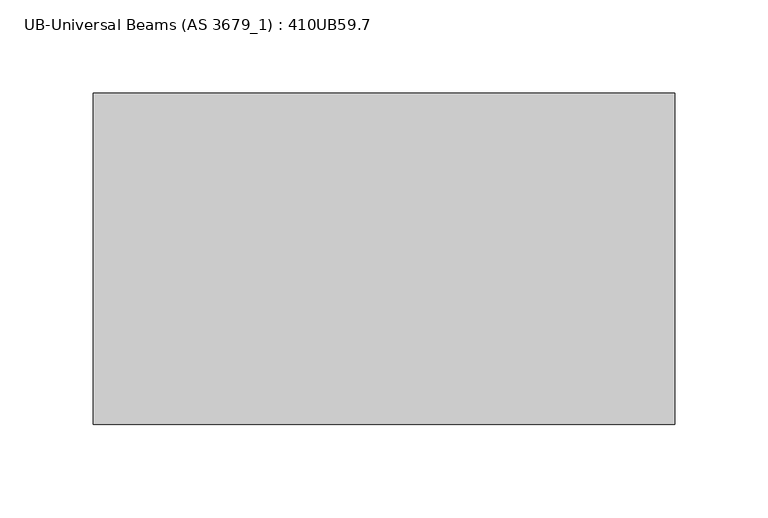
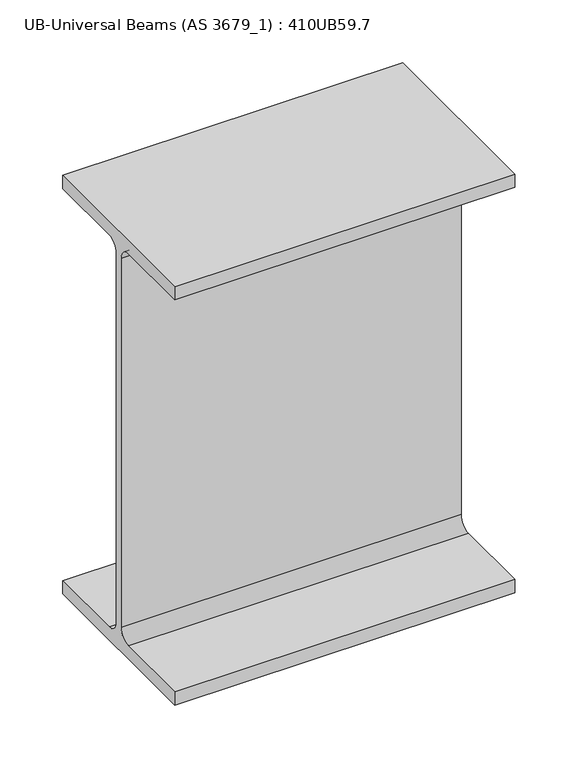
"""IFC4 building model written with IfcOpenShell, lengths in millimetres: beam geometry, UB-Universal Beams (AS 3679_1) : 410UB59.7."""

from ifc_helpers import new_model, si_unit, point, frame, frame_2d, origin, place, context, project, spatial, polyline, circle_curve, trimmed, segment, composite_curve, outline, extrude, source, transform, mapped, element, save


def ub_universal_beams_as_3679_1_410ub59_7_c5979ace(model_context):
    return source(origin(), model_context, "Body", "SweptSolid", [
        extrude(outline(composite_curve([segment(polyline([(89.0, -190.4), (89.0, -203.2), (-89.0, -203.2), (-89.0, -190.4), (-15.3, -190.4)]), True, "CONTINUOUS"), segment(trimmed(circle_curve(frame_2d((-15.3, -179.0)), 11.4), [point((-15.3, -190.4))], [point((-3.9, -179.0))], True, "CARTESIAN"), True, "CONTINUOUS"), segment(polyline([(-3.9, -179.0), (-3.9, 179.0)]), True, "CONTINUOUS"), segment(trimmed(circle_curve(frame_2d((-15.3, 179.0)), 11.4), [point((-3.9, 179.0))], [point((-15.3, 190.4))], True, "CARTESIAN"), True, "CONTINUOUS"), segment(polyline([(-15.3, 190.4), (-89.0, 190.4), (-89.0, 203.2), (89.0, 203.2), (89.0, 190.4), (15.3, 190.4)]), True, "CONTINUOUS"), segment(trimmed(circle_curve(frame_2d((15.3, 179.0)), 11.4), [point((15.3, 190.4))], [point((3.9, 179.0))], True, "CARTESIAN"), True, "CONTINUOUS"), segment(polyline([(3.9, 179.0), (3.9, -179.0)]), True, "CONTINUOUS"), segment(trimmed(circle_curve(frame_2d((15.3, -179.0)), 11.4), [point((3.9, -179.0))], [point((15.3, -190.4))], True, "CARTESIAN"), True, "CONTINUOUS"), segment(polyline([(15.3, -190.4), (89.0, -190.4)]), True, "CONTINUOUS")], self_intersect=False)), frame((-162.5, 0.0, 0.0), z_axis=(1.0, 0.0, 0.0), x_axis=(0.0, 1.0, 0.0)), (0.0, 0.0, 1.0), 312.2),
    ])


if __name__ == "__main__":
    model = new_model("IFC4")
    model_context = context("Model", 3, world=origin())
    ifc_project = project(units=[si_unit("LENGTHUNIT", "METRE", prefix="MILLI")], contexts=[model_context])
    site = spatial("IfcSite", under=ifc_project)
    building = spatial("IfcBuilding", under=site)
    placement = place(None, origin())
    ub_universal_beams_as_3679_1_410ub59_7_shape = ub_universal_beams_as_3679_1_410ub59_7_c5979ace(model_context)
    element("IfcBeam", 1, ObjectType="UB-Universal Beams (AS 3679_1) : 410UB59.7", at=placement, inside=building, context=model_context, shape_type="MappedRepresentation", body=[
        mapped(ub_universal_beams_as_3679_1_410ub59_7_shape, transform((0.0, 0.0, 0.0), x_axis=(1.0, 0.0, 0.0), y_axis=(0.0, 1.0, 0.0), z_axis=(0.0, 0.0, 1.0))),
    ])
    save(model, "model.ifc")
